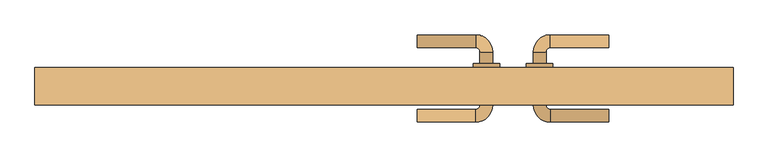
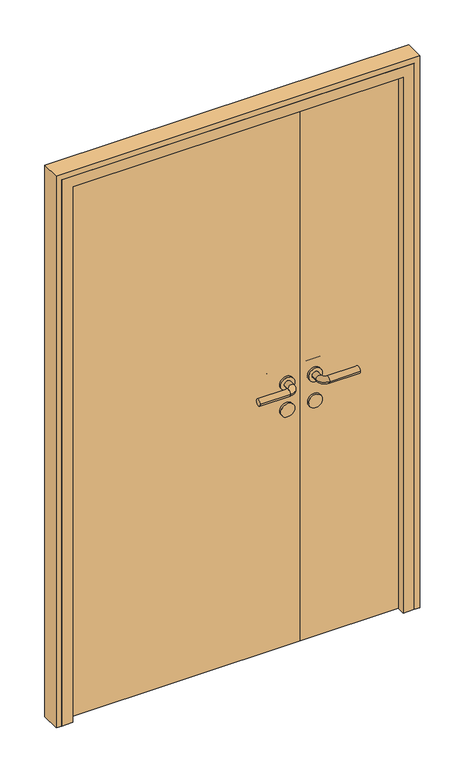
"""IFC4 building model written with IfcOpenShell, lengths in millimetres: door geometry."""

from ifc_helpers import new_model, si_unit, point, frame, frame_2d, origin, origin_with_axes, place, context, project, spatial, polyline, circle_curve, ellipse_curve, trimmed, segment, composite_curve, outline, extrude, faceted_brep, source, transform, mapped, element, save
from ifc_brep_helpers import plane_surface, cylinder_surface, revolved_surface, advanced_brep


def door_d5dc3f6f(model_context):
    return source(origin(), model_context, "Body", "SolidModel", [
        advanced_brep(
        [(422.0, 112.0, 1000.0), (422.0, 88.0, 1000.0), (312.0, 112.0, 1000.0), (312.0, 88.0, 1000.0), (280.0, 80.0, 1000.0), (304.0, 80.0, 1000.0), (280.0, 58.0, 1000.0), (304.0, 58.0, 1000.0), (280.0, -20.0, 1000.0), (304.0, -20.0, 1000.0), (304.0, 2.0, 1000.0), (280.0, 2.0, 1000.0), (312.0, -52.0, 1000.0), (312.0, -28.0, 1000.0), (422.0, -52.0, 1000.0), (422.0, -28.0, 1000.0), (317.0, 2.0, 1000.0), (267.0, 2.0, 1000.0), (317.0, 58.0, 1000.0), (267.0, 58.0, 1000.0)],
        [
            (0, 1, circle_curve(frame((422.0, 100.0, 1000.0), z_axis=(1.0, 0.0, 0.0), x_axis=(0.0, -1.0, 0.0)), 12.0)),
            (1, 0, circle_curve(frame((422.0, 100.0, 1000.0), z_axis=(1.0, 0.0, 0.0), x_axis=(0.0, -1.0, 0.0)), 12.0)),
            (0, 2),
            (2, 3, circle_curve(frame((312.0, 100.0, 1000.0), z_axis=(1.0, 0.0, 0.0), x_axis=(0.0, -1.0, 0.0)), 12.0)),
            (3, 1),
            (3, 2, circle_curve(frame((312.0, 100.0, 1000.0), z_axis=(1.0, 0.0, 0.0), x_axis=(0.0, -1.0, 0.0)), 12.0)),
            (2, 4, circle_curve(frame((312.0, 80.0, 1000.0), z_axis=(0.0, 0.0, 1.0), x_axis=(0.0, 1.0, 0.0)), 32.0)),
            (4, 5, circle_curve(frame((292.0, 80.0, 1000.0), z_axis=(0.0, 1.0, 0.0), x_axis=(1.0, 0.0, 0.0)), 12.0)),
            (5, 3, circle_curve(frame((312.0, 80.0, 1000.0), z_axis=(0.0, 0.0, -1.0), x_axis=(0.0, 1.0, 0.0)), 8.0)),
            (5, 4, circle_curve(frame((292.0, 80.0, 1000.0), z_axis=(0.0, 1.0, 0.0), x_axis=(1.0, 0.0, 0.0)), 12.0)),
            (4, 6),
            (6, 7, circle_curve(frame((292.0, 58.0, 1000.0), z_axis=(0.0, 1.0, 0.0), x_axis=(1.0, 0.0, 0.0)), 12.0)),
            (7, 5),
            (8, 9, circle_curve(frame((292.0, -20.0, 1000.0), z_axis=(0.0, 1.0, 0.0), x_axis=(1.0, 0.0, 0.0)), 12.0)),
            (9, 10),
            (10, 11, circle_curve(frame((292.0, 2.0, 1000.0), z_axis=(0.0, -1.0, 0.0), x_axis=(1.0, 0.0, 0.0)), 12.0)),
            (11, 8),
            (7, 6, circle_curve(frame((292.0, 58.0, 1000.0), z_axis=(0.0, 1.0, 0.0), x_axis=(1.0, 0.0, 0.0)), 12.0)),
            (9, 8, circle_curve(frame((292.0, -20.0, 1000.0), z_axis=(0.0, 1.0, 0.0), x_axis=(1.0, 0.0, 0.0)), 12.0)),
            (11, 10, circle_curve(frame((292.0, 2.0, 1000.0), z_axis=(0.0, -1.0, 0.0), x_axis=(1.0, 0.0, 0.0)), 12.0)),
            (8, 12, circle_curve(frame((312.0, -20.0, 1000.0), z_axis=(0.0, 0.0, 1.0), x_axis=(-1.0, 0.0, 0.0)), 32.0)),
            (12, 13, circle_curve(frame((312.0, -40.0, 1000.0), z_axis=(-1.0, 0.0, 0.0), x_axis=(0.0, 1.0, 0.0)), 12.0)),
            (13, 9, circle_curve(frame((312.0, -20.0, 1000.0), z_axis=(0.0, 0.0, -1.0), x_axis=(-1.0, 0.0, 0.0)), 8.0)),
            (13, 12, circle_curve(frame((312.0, -40.0, 1000.0), z_axis=(-1.0, 0.0, 0.0), x_axis=(0.0, 1.0, 0.0)), 12.0)),
            (14, 15, circle_curve(frame((422.0, -40.0, 1000.0), z_axis=(1.0, 0.0, 0.0), x_axis=(0.0, 1.0, 0.0)), 12.0)),
            (15, 14, circle_curve(frame((422.0, -40.0, 1000.0), z_axis=(1.0, 0.0, 0.0), x_axis=(0.0, 1.0, 0.0)), 12.0)),
            (12, 14),
            (15, 13),
            (16, 17, circle_curve(frame((292.0, 2.0, 1000.0), z_axis=(0.0, -1.0, 0.0), x_axis=(-1.0, 0.0, 0.0)), 25.0)),
            (17, 16, circle_curve(frame((292.0, 2.0, 1000.0), z_axis=(0.0, -1.0, 0.0), x_axis=(-1.0, 0.0, 0.0)), 25.0)),
            (18, 19, circle_curve(frame((292.0, 58.0, 1000.0), z_axis=(0.0, 1.0, 0.0), x_axis=(-1.0, 0.0, 0.0)), 25.0)),
            (19, 18, circle_curve(frame((292.0, 58.0, 1000.0), z_axis=(0.0, 1.0, 0.0), x_axis=(-1.0, 0.0, 0.0)), 25.0)),
            (16, 18),
            (19, 17),
        ],
        [
            plane_surface(frame((422.0, 100.0, 1000.0), z_axis=(1.0, 0.0, 0.0), x_axis=(0.0, 0.0, 1.0))),
            cylinder_surface(frame((422.0, 100.0, 1000.0), z_axis=(1.0, 0.0, 0.0), x_axis=(0.0, -1.0, 0.0)), 12.0),
            revolved_surface(trimmed(ellipse_curve(frame((312.0, 100.0, 1000.0), z_axis=(1.0, 0.0, 0.0), x_axis=(0.0, -1.0, 0.0)), 12.0, 12.0), [point((312.0, 112.0, 1000.0))], [point((312.0, 88.0, 1000.0))], True, "CARTESIAN"), (312.0, 80.0, 1000.0), (0.0, 0.0, 1.0)),
            revolved_surface(trimmed(ellipse_curve(frame((312.0, 100.0, 1000.0), z_axis=(1.0, 0.0, 0.0), x_axis=(0.0, -1.0, 0.0)), 12.0, 12.0), [point((312.0, 88.0, 1000.0))], [point((312.0, 112.0, 1000.0))], True, "CARTESIAN"), (312.0, 80.0, 1000.0), (0.0, 0.0, 1.0)),
            cylinder_surface(frame((292.0, 80.0, 1000.0), z_axis=(0.0, 1.0, 0.0), x_axis=(1.0, 0.0, 0.0)), 12.0),
            revolved_surface(trimmed(ellipse_curve(frame((292.0, -20.0, 1000.0), z_axis=(0.0, 1.0, 0.0), x_axis=(1.0, 0.0, 0.0)), 12.0, 12.0), [point((280.0, -20.0, 1000.0))], [point((304.0, -20.0, 1000.0))], True, "CARTESIAN"), (312.0, -20.0, 1000.0), (0.0, 0.0, 1.0)),
            revolved_surface(trimmed(ellipse_curve(frame((292.0, -20.0, 1000.0), z_axis=(0.0, 1.0, 0.0), x_axis=(1.0, 0.0, 0.0)), 12.0, 12.0), [point((304.0, -20.0, 1000.0))], [point((280.0, -20.0, 1000.0))], True, "CARTESIAN"), (312.0, -20.0, 1000.0), (0.0, 0.0, 1.0)),
            plane_surface(frame((422.0, -40.0, 1000.0), z_axis=(1.0, 0.0, 0.0), x_axis=(0.0, 0.0, 1.0))),
            cylinder_surface(frame((312.0, -40.0, 1000.0), z_axis=(-1.0, 0.0, 0.0), x_axis=(0.0, 1.0, 0.0)), 12.0),
            plane_surface(frame((267.0, 2.0, 1000.0), z_axis=(0.0, -1.0, 0.0), x_axis=(0.0, 0.0, -1.0))),
            plane_surface(frame((267.0, 58.0, 1000.0), z_axis=(0.0, 1.0, 0.0), x_axis=(0.0, 0.0, 1.0))),
            cylinder_surface(frame((292.0, 2.0, 1000.0), z_axis=(0.0, 1.0, 0.0), x_axis=(-1.0, 0.0, 0.0)), 25.0),
        ],
        [
            (0, [[1, 2]]),
            (1, [[-1, 3, 4, 5]]),
            (1, [[-2, -5, 6, -3]]),
            (2, [[-4, 7, 8, 9]]),
            (3, [[-6, -9, 10, -7]]),
            (4, [[-8, 11, 12, 13]]),
            (4, [[14, 15, 16, 17]]),
            (4, [[-10, -13, 18, -11]]),
            (4, [[19, -17, 20, -15]]),
            (5, [[-14, 21, 22, 23]]),
            (6, [[-19, -23, 24, -21]]),
            (7, [[25, 26]]),
            (8, [[-22, 27, -26, 28]]),
            (8, [[-24, -28, -25, -27]]),
            (9, [[29, 30], [-16, -20]]),
            (10, [[31, 32], [-12, -18]]),
            (11, [[-29, 33, -32, 34]]),
            (11, [[-30, -34, -31, -33]]),
        ],
    ),
        extrude(outline(composite_curve([segment(trimmed(circle_curve(frame_2d((900.0, 292.0)), 25.0), [point((900.0, 317.0))], [point((900.0, 267.0))], False, "CARTESIAN"), True, "CONTINUOUS"), segment(trimmed(circle_curve(frame_2d((900.0, 292.0)), 25.0), [point((900.0, 267.0))], [point((900.0, 317.0))], False, "CARTESIAN"), True, "CONTINUOUS")], self_intersect=False)), frame((0.0, 2.0, 0.0), z_axis=(0.0, 1.0, 0.0), x_axis=(0.0, 0.0, 1.0)), (0.0, 0.0, 1.0), 56.0),
        extrude(outline(polyline([(242.0, 10.0), (242.0, 50.0), (605.0, 50.0), (605.0, 10.0), (242.0, 10.0)])), origin_with_axes(), (0.0, 0.0, 1.0), 2050.0),
        advanced_brep(
        [(62.0, 112.0, 1000.0), (62.0, 88.0, 1000.0), (172.0, 88.0, 1000.0), (172.0, 112.0, 1000.0), (180.0, 80.0, 1000.0), (204.0, 80.0, 1000.0), (204.0, -20.0, 1000.0), (204.0, 2.0, 1000.0), (180.0, 2.0, 1000.0), (180.0, -20.0, 1000.0), (180.0, 58.0, 1000.0), (204.0, 58.0, 1000.0), (172.0, -28.0, 1000.0), (172.0, -52.0, 1000.0), (62.0, -52.0, 1000.0), (62.0, -28.0, 1000.0), (167.0, 2.0, 1000.0), (217.0, 2.0, 1000.0), (167.0, 58.0, 1000.0), (217.0, 58.0, 1000.0)],
        [
            (0, 1, circle_curve(frame((62.0, 100.0, 1000.0), z_axis=(-1.0, 0.0, 0.0), x_axis=(0.0, -1.0, 0.0)), 12.0)),
            (1, 0, circle_curve(frame((62.0, 100.0, 1000.0), z_axis=(-1.0, 0.0, 0.0), x_axis=(0.0, -1.0, 0.0)), 12.0)),
            (1, 2),
            (2, 3, circle_curve(frame((172.0, 100.0, 1000.0), z_axis=(-1.0, 0.0, 0.0), x_axis=(0.0, -1.0, 0.0)), 12.0)),
            (3, 0),
            (3, 2, circle_curve(frame((172.0, 100.0, 1000.0), z_axis=(-1.0, 0.0, 0.0), x_axis=(0.0, -1.0, 0.0)), 12.0)),
            (2, 4, circle_curve(frame((172.0, 80.0, 1000.0), z_axis=(0.0, 0.0, -1.0), x_axis=(0.0, 1.0, 0.0)), 8.0)),
            (4, 5, circle_curve(frame((192.0, 80.0, 1000.0), z_axis=(0.0, 1.0, 0.0), x_axis=(-1.0, 0.0, 0.0)), 12.0)),
            (5, 3, circle_curve(frame((172.0, 80.0, 1000.0), z_axis=(0.0, 0.0, 1.0), x_axis=(0.0, 1.0, 0.0)), 32.0)),
            (5, 4, circle_curve(frame((192.0, 80.0, 1000.0), z_axis=(0.0, 1.0, 0.0), x_axis=(-1.0, 0.0, 0.0)), 12.0)),
            (6, 7),
            (7, 8, circle_curve(frame((192.0, 2.0, 1000.0), z_axis=(0.0, -1.0, 0.0), x_axis=(-1.0, 0.0, 0.0)), 12.0)),
            (8, 9),
            (9, 6, circle_curve(frame((192.0, -20.0, 1000.0), z_axis=(0.0, 1.0, 0.0), x_axis=(-1.0, 0.0, 0.0)), 12.0)),
            (4, 10),
            (10, 11, circle_curve(frame((192.0, 58.0, 1000.0), z_axis=(0.0, 1.0, 0.0), x_axis=(-1.0, 0.0, 0.0)), 12.0)),
            (11, 5),
            (11, 10, circle_curve(frame((192.0, 58.0, 1000.0), z_axis=(0.0, 1.0, 0.0), x_axis=(-1.0, 0.0, 0.0)), 12.0)),
            (8, 7, circle_curve(frame((192.0, 2.0, 1000.0), z_axis=(0.0, -1.0, 0.0), x_axis=(-1.0, 0.0, 0.0)), 12.0)),
            (6, 9, circle_curve(frame((192.0, -20.0, 1000.0), z_axis=(0.0, 1.0, 0.0), x_axis=(-1.0, 0.0, 0.0)), 12.0)),
            (9, 12, circle_curve(frame((172.0, -20.0, 1000.0), z_axis=(0.0, 0.0, -1.0), x_axis=(1.0, 0.0, 0.0)), 8.0)),
            (12, 13, circle_curve(frame((172.0, -40.0, 1000.0), z_axis=(1.0, 0.0, 0.0), x_axis=(0.0, 1.0, 0.0)), 12.0)),
            (13, 6, circle_curve(frame((172.0, -20.0, 1000.0), z_axis=(0.0, 0.0, 1.0), x_axis=(1.0, 0.0, 0.0)), 32.0)),
            (13, 12, circle_curve(frame((172.0, -40.0, 1000.0), z_axis=(1.0, 0.0, 0.0), x_axis=(0.0, 1.0, 0.0)), 12.0)),
            (14, 15, circle_curve(frame((62.0, -40.0, 1000.0), z_axis=(-1.0, 0.0, 0.0), x_axis=(0.0, 1.0, 0.0)), 12.0)),
            (15, 14, circle_curve(frame((62.0, -40.0, 1000.0), z_axis=(-1.0, 0.0, 0.0), x_axis=(0.0, 1.0, 0.0)), 12.0)),
            (12, 15),
            (14, 13),
            (16, 17, circle_curve(frame((192.0, 2.0, 1000.0), z_axis=(0.0, -1.0, 0.0), x_axis=(1.0, 0.0, 0.0)), 25.0)),
            (17, 16, circle_curve(frame((192.0, 2.0, 1000.0), z_axis=(0.0, -1.0, 0.0), x_axis=(1.0, 0.0, 0.0)), 25.0)),
            (18, 19, circle_curve(frame((192.0, 58.0, 1000.0), z_axis=(0.0, 1.0, 0.0), x_axis=(1.0, 0.0, 0.0)), 25.0)),
            (19, 18, circle_curve(frame((192.0, 58.0, 1000.0), z_axis=(0.0, 1.0, 0.0), x_axis=(1.0, 0.0, 0.0)), 25.0)),
            (17, 19),
            (18, 16),
        ],
        [
            plane_surface(frame((62.0, 100.0, 1000.0), z_axis=(-1.0, 0.0, 0.0), x_axis=(0.0, 0.0, 1.0))),
            cylinder_surface(frame((62.0, 100.0, 1000.0), z_axis=(-1.0, 0.0, 0.0), x_axis=(0.0, -1.0, 0.0)), 12.0),
            revolved_surface(trimmed(ellipse_curve(frame((172.0, 100.0, 1000.0), z_axis=(1.0, 0.0, 0.0), x_axis=(0.0, -1.0, 0.0)), 12.0, 12.0), [point((172.0, 112.0, 1000.0))], [point((172.0, 88.0, 1000.0))], True, "CARTESIAN"), (172.0, 80.0, 1000.0), (0.0, 0.0, 1.0)),
            revolved_surface(trimmed(ellipse_curve(frame((172.0, 100.0, 1000.0), z_axis=(1.0, 0.0, 0.0), x_axis=(0.0, -1.0, 0.0)), 12.0, 12.0), [point((172.0, 88.0, 1000.0))], [point((172.0, 112.0, 1000.0))], True, "CARTESIAN"), (172.0, 80.0, 1000.0), (0.0, 0.0, 1.0)),
            cylinder_surface(frame((192.0, 80.0, 1000.0), z_axis=(0.0, 1.0, 0.0), x_axis=(-1.0, 0.0, 0.0)), 12.0),
            revolved_surface(trimmed(ellipse_curve(frame((192.0, -20.0, 1000.0), z_axis=(0.0, -1.0, 0.0), x_axis=(-1.0, 0.0, 0.0)), 12.0, 12.0), [point((204.0, -20.0, 1000.0))], [point((180.0, -20.0, 1000.0))], True, "CARTESIAN"), (172.0, -20.0, 1000.0), (0.0, 0.0, 1.0)),
            revolved_surface(trimmed(ellipse_curve(frame((192.0, -20.0, 1000.0), z_axis=(0.0, -1.0, 0.0), x_axis=(-1.0, 0.0, 0.0)), 12.0, 12.0), [point((180.0, -20.0, 1000.0))], [point((204.0, -20.0, 1000.0))], True, "CARTESIAN"), (172.0, -20.0, 1000.0), (0.0, 0.0, 1.0)),
            plane_surface(frame((62.0, -40.0, 1000.0), z_axis=(-1.0, 0.0, 0.0), x_axis=(0.0, 0.0, 1.0))),
            cylinder_surface(frame((172.0, -40.0, 1000.0), z_axis=(1.0, 0.0, 0.0), x_axis=(0.0, 1.0, 0.0)), 12.0),
            plane_surface(frame((217.0, 2.0, 1000.0), z_axis=(0.0, -1.0, 0.0), x_axis=(0.0, 0.0, -1.0))),
            plane_surface(frame((217.0, 58.0, 1000.0), z_axis=(0.0, 1.0, 0.0), x_axis=(0.0, 0.0, 1.0))),
            cylinder_surface(frame((192.0, 2.0, 1000.0), z_axis=(0.0, 1.0, 0.0), x_axis=(1.0, 0.0, 0.0)), 25.0),
        ],
        [
            (0, [[1, 2]]),
            (1, [[3, 4, 5, -2]]),
            (1, [[-5, 6, -3, -1]]),
            (2, [[7, 8, 9, -4]]),
            (3, [[-9, 10, -7, -6]]),
            (4, [[11, 12, 13, 14]]),
            (4, [[15, 16, 17, -8]]),
            (4, [[-17, 18, -15, -10]]),
            (4, [[-13, 19, -11, 20]]),
            (5, [[21, 22, 23, -14]]),
            (6, [[-23, 24, -21, -20]]),
            (7, [[25, 26]]),
            (8, [[27, -25, 28, -22]]),
            (8, [[-28, -26, -27, -24]]),
            (9, [[29, 30], [-19, -12]]),
            (10, [[31, 32], [-18, -16]]),
            (11, [[33, -31, 34, -30]]),
            (11, [[-34, -32, -33, -29]]),
        ],
    ),
        extrude(outline(composite_curve([segment(trimmed(circle_curve(frame_2d((900.0, 192.0)), 25.0), [point((900.0, 167.0))], [point((900.0, 217.0))], False, "CARTESIAN"), True, "CONTINUOUS"), segment(trimmed(circle_curve(frame_2d((900.0, 192.0)), 25.0), [point((900.0, 217.0))], [point((900.0, 167.0))], False, "CARTESIAN"), True, "CONTINUOUS")], self_intersect=False)), frame((0.0, 2.0, 0.0), z_axis=(0.0, 1.0, 0.0), x_axis=(0.0, 0.0, 1.0)), (0.0, 0.0, 1.0), 56.0),
        extrude(outline(polyline([(242.0, 10.0), (-605.0, 10.0), (-605.0, 50.0), (242.0, 50.0), (242.0, 10.0)])), origin_with_axes(), (0.0, 0.0, 1.0), 2050.0),
        extrude(outline(polyline([(0.0, 655.0), (2100.0, 655.0), (2100.0, -655.0), (0.0, -655.0), (0.0, -635.0), (2080.0, -635.0), (2080.0, 635.0), (0.0, 635.0), (0.0, 655.0)])), frame((0.0, -20.0, 0.0), z_axis=(0.0, 1.0, 0.0), x_axis=(0.0, 0.0, 1.0)), (0.0, 0.0, 1.0), 70.0),
        faceted_brep([(-635.0, -20.0, 0.0), (-635.0, 50.0, 0.0), (-605.0, 50.0, 0.0), (-605.0, 10.0, 0.0), (-595.0, 10.0, 0.0), (-595.0, -20.0, 0.0), (-635.0, -20.0, 2080.0), (-635.0, 50.0, 2080.0), (635.0, 50.0, 2080.0), (635.0, 50.0, 0.0), (605.0, 50.0, 0.0), (605.0, 50.0, 2050.0), (-605.0, 50.0, 2050.0), (-605.0, 10.0, 2050.0), (605.0, 10.0, 2050.0), (605.0, 10.0, 0.0), (595.0, 10.0, 0.0), (595.0, 10.0, 2040.0), (-595.0, 10.0, 2040.0), (-595.0, -20.0, 2040.0), (595.0, -20.0, 2040.0), (595.0, -20.0, 0.0), (635.0, -20.0, 0.0), (635.0, -20.0, 2080.0)], [[[0, 1, 2, 3, 4, 5]], [[1, 0, 6, 7]], [[2, 1, 7, 8, 9, 10, 11, 12]], [[3, 2, 12, 13]], [[4, 3, 13, 14, 15, 16, 17, 18]], [[5, 4, 18, 19]], [[0, 5, 19, 20, 21, 22, 23, 6]], [[7, 6, 23, 8]], [[13, 12, 11, 14]], [[19, 18, 17, 20]], [[22, 21, 16, 15, 10, 9]], [[8, 23, 22, 9]], [[14, 11, 10, 15]], [[20, 17, 16, 21]]]),
    ])


if __name__ == "__main__":
    model = new_model("IFC4")
    model_context = context("Model", 3, world=origin())
    ifc_project = project(units=[si_unit("LENGTHUNIT", "METRE", prefix="MILLI")], contexts=[model_context])
    site = spatial("IfcSite", under=ifc_project)
    building = spatial("IfcBuilding", under=site)
    placement = place(None, origin())
    door_shape = door_d5dc3f6f(model_context)
    element("IfcDoor", 1, at=placement, inside=building, context=model_context, shape_type="MappedRepresentation", body=[
        mapped(door_shape, transform((0.0, 0.0, 0.0), x_axis=(1.0, 0.0, 0.0), y_axis=(0.0, 1.0, 0.0), z_axis=(0.0, 0.0, 1.0))),
    ])
    save(model, "model.ifc")
